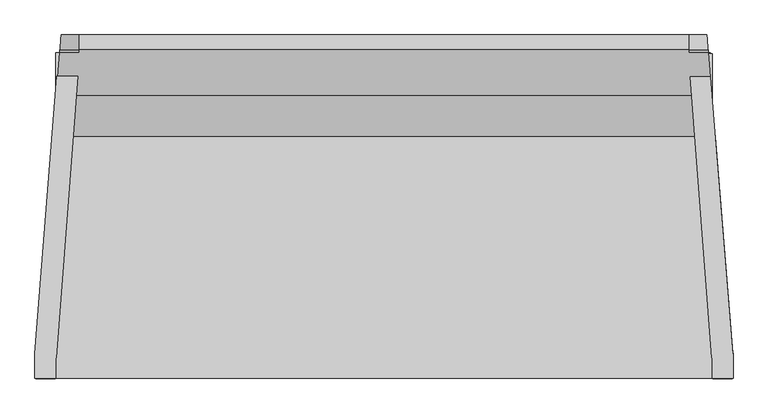
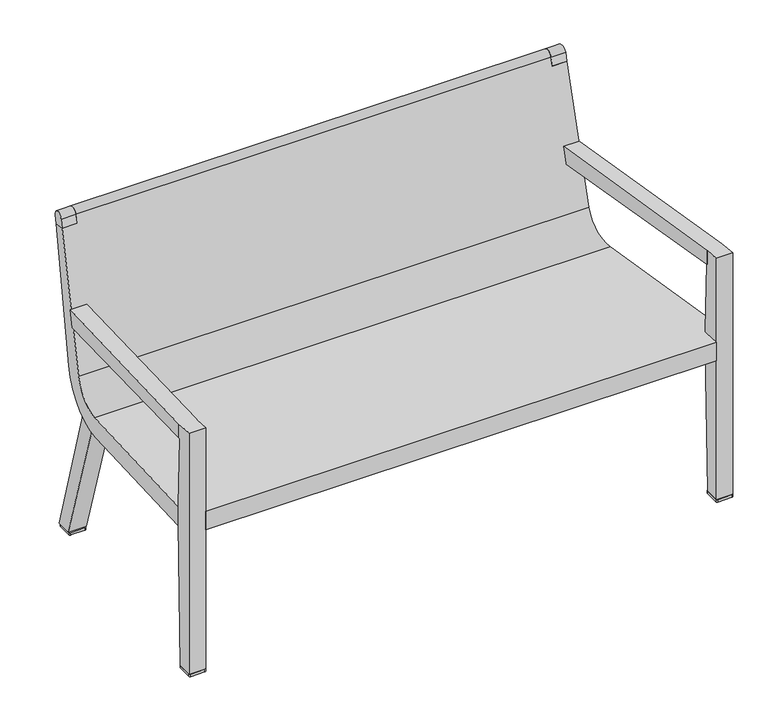
"""IFC4 building model written with IfcOpenShell, lengths in millimetres: furniture geometry."""

from ifc_helpers import new_model, si_unit, point, frame, frame_2d, origin, origin_with_axes, place, context, project, spatial, polyline, circle_curve, ellipse_curve, trimmed, segment, composite_curve, outline, extrude, faceted_brep, source, transform, mapped, element, save
from ifc_brep_helpers import plane_surface, cylinder_surface, revolved_surface, advanced_brep


def furniture_d6142b81(model_context):
    return source(origin(), model_context, "Body", "SolidModel", [
        advanced_brep(
        [(-627.9196195, 299.2050771, 796.6800519), (-625.6202665, 327.49749, 790.5203922), (-625.951192, 323.425614, 768.9825288), (-628.3301742, 294.1534021, 776.2044891), (-591.5334009, 327.49749, 790.5203922), (-591.5334009, 299.2050771, 796.6800519), (-591.5334009, 294.1534021, 776.2044891), (-591.5334009, 323.425614, 768.9825288)],
        [
            (0, 1, ellipse_curve(frame((-626.7768324, 313.2665124, 793.210853), z_axis=(-0.9967137814463713, 0.08100393740353092, 0.0), x_axis=(-0.08100393740352987, -0.9967137814463713, 0.0)), 14.530821, 14.4830695)),
            (1, 2),
            (2, 3),
            (3, 0),
            (4, 5, circle_curve(frame((-591.5334009, 313.2665124, 793.210853), z_axis=(1.0, 0.0, 0.0), x_axis=(0.0, 1.0, 0.0)), 14.4830695)),
            (5, 6),
            (6, 7),
            (7, 4),
            (4, 1),
            (0, 5),
            (3, 6),
            (2, 7),
        ],
        [
            plane_surface(frame((-675.6291399, -287.837208, 938.3631816), z_axis=(-0.9967137814463713, 0.08100393740353092, 0.0), x_axis=(0.0, 0.0, -1.0))),
            plane_surface(frame((-591.5334009, 260.8168471, 437.8184466), z_axis=(1.0000000000000002, 0.0, 0.0), x_axis=(0.0, 0.18576592005724907, 0.9825940275338966))),
            cylinder_surface(frame((-591.5334009, 313.2665124, 793.210853), z_axis=(-1.0, 0.0, 0.0), x_axis=(0.0, 1.0, 0.0)), 14.4830695),
            plane_surface(frame((-635.7109035, 294.1534021, 776.2044891), z_axis=(0.0, -0.9708877825791815, 0.23953478586309737), x_axis=(1.0, 0.0, 0.0))),
            plane_surface(frame((-635.7109035, 323.425614, 768.9825288), z_axis=(0.0, -0.2395347858631037, -0.97088778257918), x_axis=(1.0, 0.0, 0.0))),
            plane_surface(frame((-635.7109035, 327.49749, 790.5203922), z_axis=(0.0, 0.9825940275338966, -0.18576592005724907), x_axis=(1.0, 0.0, 0.0))),
        ],
        [
            (0, [[1, 2, 3, 4]]),
            (1, [[5, 6, 7, 8]]),
            (2, [[-5, 9, -1, 10]]),
            (3, [[-6, -10, -4, 11]]),
            (4, [[-7, -11, -3, 12]]),
            (5, [[-8, -12, -2, -9]]),
        ],
    ),
        advanced_brep(
        [(585.1834009, 327.49749, 790.5203922), (585.1834009, 323.425614, 768.9825288), (585.1834009, 294.1534021, 776.2044891), (585.1834009, 299.2050771, 796.6800519), (621.5696195, 299.2050771, 796.6800519), (619.2702665, 327.49749, 790.5203922), (621.9801742, 294.1534021, 776.2044891), (619.601192, 323.425614, 768.9825288)],
        [
            (0, 1),
            (1, 2),
            (2, 3),
            (3, 0, circle_curve(frame((585.1834009, 313.2665124, 793.210853), z_axis=(-1.0, 0.0, 0.0), x_axis=(0.0, 1.0, 0.0)), 14.4830695)),
            (3, 4),
            (4, 5, ellipse_curve(frame((620.4268324, 313.2665124, 793.210853), z_axis=(-0.9967137814463713, -0.08100393740353068, 0.0), x_axis=(0.08100393740353011, -0.9967137814463713, 0.0)), 14.530821, 14.4830695)),
            (5, 0),
            (2, 6),
            (6, 4),
            (1, 7),
            (7, 6),
            (5, 7),
        ],
        [
            plane_surface(frame((585.1834009, 327.7495819, 793.210853), z_axis=(-1.0, 0.0, 0.0), x_axis=(0.0, 0.0, -1.0))),
            cylinder_surface(frame((585.1834009, 313.2665124, 793.210853), z_axis=(1.0, 0.0, 0.0), x_axis=(0.0, 1.0, 0.0)), 14.4830695),
            plane_surface(frame((629.3609035, 299.2050771, 796.6800519), z_axis=(0.0, -0.9708877825791815, 0.2395347858630974), x_axis=(-1.0, 0.0, 0.0))),
            plane_surface(frame((629.3609035, 294.1534021, 776.2044891), z_axis=(0.0, -0.2395347858631037, -0.97088778257918), x_axis=(-1.0, 0.0, 0.0))),
            plane_surface(frame((629.3609035, 323.425614, 768.9825288), z_axis=(0.0, 0.9825940275338961, -0.18576592005725134), x_axis=(-1.0, 0.0, 0.0))),
            plane_surface(frame((617.5219272, 349.0099486, 938.3631816), z_axis=(0.9967137814463713, 0.08100393740353068, 0.0), x_axis=(0.0, 0.0, -1.0))),
        ],
        [
            (0, [[1, 2, 3, 4]]),
            (1, [[-4, 5, 6, 7]]),
            (2, [[-3, 8, 9, -5]]),
            (3, [[-2, 10, 11, -8]]),
            (4, [[-1, -7, 12, -10]]),
            (5, [[-6, -9, -11, -12]]),
        ],
    ),
        faceted_brep([(-635.7109035, -295.3842593, 598.9293253), (-635.7109035, -295.3842593, 635.0608173), (-635.7109035, -334.2299408, 638.0401216), (-635.7109035, -334.2299408, 6.3500002), (-635.7109035, -296.2419402, 6.3500002), (-635.7109035, -286.317893, 372.9395667), (-635.7109035, -286.317893, 420.5571907), (-635.7109035, -293.3199548, 598.7479856), (-635.0099613, -294.3789018, 634.9837105), (-635.0099613, -294.3789018, 598.8410092), (-594.275153, 238.0299069, 552.0713363), (-593.4956059, 248.2186806, 593.3687032), (-676.275, -287.3688794, 598.2252109), (-676.275, -287.3688794, 634.4460706), (-634.3258396, 248.2186806, 593.3687032), (-635.1238614, 238.0299069, 552.0713363), (-676.275, -293.3199548, 598.7479856), (-676.275, -286.317893, 420.5571907), (-676.275, -286.317893, 372.9395667), (-676.275, -296.2419402, 6.3500002), (-676.275, -334.2299408, 6.3500002), (-676.275, -334.2299408, 638.0401216)], [[[0, 1, 2, 3, 4, 5, 6, 7]], [[8, 9, 10, 11]], [[12, 13, 14, 15]], [[13, 12, 16, 17, 18, 19, 20, 21]], [[14, 11, 10, 15]], [[11, 14, 13, 21, 2, 1, 8]], [[3, 2, 21, 20]], [[15, 10, 9, 0, 7, 16, 12]], [[20, 19, 4, 3]], [[6, 17, 16, 7]], [[18, 17, 6, 5]], [[19, 18, 5, 4]], [[1, 0, 9, 8]]]),
        extrude(outline(composite_curve([segment(trimmed(circle_curve(frame_2d((666.75, -296.4488461)), 3.175), [point((666.75, -293.2738461))], [point((669.925, -296.4488461))], False, "CARTESIAN"), True, "CONTINUOUS"), segment(polyline([(669.925, -296.4488461), (669.925, -332.2678383)]), True, "CONTINUOUS"), segment(trimmed(circle_curve(frame_2d((666.75, -332.2678383)), 3.175), [point((669.925, -332.2678383))], [point((666.75, -335.4428383))], False, "CARTESIAN"), True, "CONTINUOUS"), segment(polyline([(666.75, -335.4428383), (632.1763057, -335.4428383)]), True, "CONTINUOUS"), segment(trimmed(circle_curve(frame_2d((632.1763057, -332.2390938)), 3.2037445), [point((632.1763057, -335.4428383))], [point((628.9725613, -332.2390938))], False, "CARTESIAN"), True, "CONTINUOUS"), segment(polyline([(628.9725613, -332.2390938), (628.9725613, -296.459796)]), True, "CONTINUOUS"), segment(trimmed(circle_curve(frame_2d((632.1585112, -296.459796)), 3.1859499), [point((628.9725613, -296.459796))], [point((632.1585112, -293.2738461))], False, "CARTESIAN"), True, "CONTINUOUS"), segment(polyline([(632.1585112, -293.2738461), (666.75, -293.2738461)]), True, "CONTINUOUS")], self_intersect=False)), origin_with_axes(), (0.0, 0.0, 1.0), 6.3500002),
        advanced_brep(
        [(635.176497, 131.7791135, 383.637387), (-641.526497, 131.7791135, 383.637387), (-675.5056637, -286.317893, 415.4539627), (-635.7109035, -286.317893, 415.4539627), (-635.7109035, -334.2299408, 419.1), (629.3609035, -334.2299408, 419.1), (629.3609035, -286.317893, 415.4539627), (669.1556637, -286.317893, 415.4539627), (629.3609035, -334.2299408, 369.9032018), (-635.7109035, -334.2299408, 369.9032018), (-641.9660535, 126.370586, 334.778393), (635.6160535, 126.370586, 334.778393), (669.1556637, -286.317893, 366.2494901), (629.3609035, -286.317893, 366.2494901), (-635.7109035, -286.317893, 366.2494901), (-675.5056637, -286.317893, 366.2494901), (-631.0394698, 260.8168471, 437.8184466), (624.6894698, 260.8168471, 437.8184466), (-625.951192, 323.425614, 768.9825288), (-591.5334009, 323.425614, 768.9825288), (-591.5334009, 327.49749, 790.5203922), (585.1834009, 327.49749, 790.5203922), (585.1834009, 323.425614, 768.9825288), (619.601192, 323.425614, 768.9825288), (-635.0440252, 211.5427544, 441.3651533), (628.6940252, 211.5427544, 441.3651533), (621.9801742, 294.1534021, 776.2044891), (585.1834009, 294.1534021, 776.2044891), (585.1834009, 299.2050771, 796.6800519), (-591.5334009, 299.2050771, 796.6800519), (-591.5334009, 294.1534021, 776.2044891), (-628.3301742, 294.1534021, 776.2044891)],
        [
            (0, 1),
            (1, 2),
            (2, 3),
            (3, 4),
            (4, 5),
            (5, 6),
            (6, 7),
            (7, 0),
            (8, 5),
            (4, 9),
            (9, 8),
            (10, 11),
            (11, 12),
            (12, 13),
            (13, 8),
            (9, 14),
            (14, 15),
            (15, 10),
            (10, 16, ellipse_curve(frame((-641.181234, 136.0274056, 461.4107184), z_axis=(0.9967137814463713, -0.08100393740353092, 0.0), x_axis=(0.08100393740352987, 0.9967137814463713, 0.0)), 127.4187258, 127.0)),
            (16, 17),
            (17, 11, ellipse_curve(frame((634.831234, 136.0274056, 461.4107184), z_axis=(-0.9967137814463713, -0.08100393740353068, 0.0), x_axis=(0.08100393740353011, -0.9967137814463713, 0.0)), 127.4187258, 127.0)),
            (16, 18),
            (18, 19),
            (19, 20),
            (20, 21),
            (21, 22),
            (22, 23),
            (23, 17),
            (24, 25),
            (25, 26),
            (26, 27),
            (27, 28),
            (28, 29),
            (29, 30),
            (30, 31),
            (31, 24),
            (24, 1, ellipse_curve(frame((-641.0565886, 137.5611053, 459.617704), z_axis=(-0.9967137814463713, 0.08100393740353092, 0.0), x_axis=(-0.08100393740352987, -0.9967137814463713, 0.0)), 76.4512355, 76.2)),
            (0, 25, ellipse_curve(frame((634.7065886, 137.5611053, 459.617704), z_axis=(0.9967137814463713, 0.08100393740353068, 0.0), x_axis=(-0.08100393740353011, 0.9967137814463713, 0.0)), 76.4512355, 76.2)),
            (28, 21, circle_curve(frame((585.1834009, 313.2665124, 793.210853), z_axis=(-1.0, 0.0, 0.0), x_axis=(0.0, 1.0, 0.0)), 14.4830695)),
            (20, 29, circle_curve(frame((-591.5334009, 313.2665124, 793.210853), z_axis=(1.0, 0.0, 0.0), x_axis=(0.0, 1.0, 0.0)), 14.4830695)),
            (15, 2),
            (31, 18),
            (23, 26),
            (7, 12),
            (13, 6),
            (3, 14),
            (27, 22),
            (19, 30),
        ],
        [
            plane_surface(frame((669.925, 131.7791135, 383.637387), z_axis=(0.0, 0.07587915870272294, 0.9971170208529022), x_axis=(-1.0, 0.0, 0.0))),
            plane_surface(frame((669.925, -334.2299408, 419.1), z_axis=(0.0, -1.0, 0.0), x_axis=(-1.0, 0.0, 0.0))),
            plane_surface(frame((669.925, -334.2299408, 369.9032018), z_axis=(0.0, -0.07603794995339933, -0.9971049243519382), x_axis=(-1.0, 0.0, 0.0))),
            cylinder_surface(frame((-676.275, 136.0274056, 461.4107184), z_axis=(1.0, 0.0, 0.0), x_axis=(0.0, 1.0, 0.0)), 127.0),
            plane_surface(frame((669.925, 260.8168471, 437.8184466), z_axis=(0.0, 0.9825940275338964, -0.18576592005725007), x_axis=(-1.0, 0.0, 0.0))),
            plane_surface(frame((669.925, 299.2050771, 796.6800519), z_axis=(0.0, -0.9708877825791812, 0.23953478586309918), x_axis=(-1.0, 0.0, 0.0))),
            revolved_surface(polyline([(-647.2494396948646, 213.7611053, 459.617704), (640.8994396948648, 213.7611053, 459.617704)]), (-676.275, 137.5611053, 459.617704), (-1.0, 0.0, 0.0)),
            cylinder_surface(frame((-676.275, 313.2665124, 793.210853), z_axis=(1.0, 0.0, 0.0), x_axis=(0.0, 1.0, 0.0)), 14.4830695),
            plane_surface(frame((-675.6291399, -287.837208, 938.3631816), z_axis=(-0.9967137814463713, 0.08100393740353092, 0.0), x_axis=(0.0, 0.0, -1.0))),
            plane_surface(frame((617.5219272, 349.0099486, 938.3631816), z_axis=(0.9967137814463713, 0.08100393740353068, 0.0), x_axis=(0.0, 0.0, -1.0))),
            plane_surface(frame((629.3609035, -286.317893, 423.6543739), z_axis=(1.0, 0.0, 0.0), x_axis=(0.0, 0.0, -1.0))),
            plane_surface(frame((669.925, -286.317893, 423.6543739), z_axis=(0.0, -1.0, 0.0), x_axis=(0.0, 0.0, -1.0))),
            plane_surface(frame((-635.7109035, -334.2299408, 423.6543739), z_axis=(-1.0, 0.0, 0.0), x_axis=(0.0, 0.0, -1.0))),
            plane_surface(frame((-635.7109035, -286.317893, 423.6543739), z_axis=(0.0, -1.0, 0.0), x_axis=(0.0, 0.0, -1.0))),
            plane_surface(frame((585.1834009, 294.1534021, 776.2044891), z_axis=(1.0, 0.0, 0.0), x_axis=(0.0, -0.9708877825791811, 0.23953478586309945))),
            plane_surface(frame((1034.3742133, 294.1534021, 776.2044891), z_axis=(0.0, 0.23953478586309945, 0.9708877825791811), x_axis=(-1.0, 0.0, 0.0))),
            plane_surface(frame((-591.5334009, 299.2050771, 796.6800519), z_axis=(-1.0, 0.0, 0.0), x_axis=(0.0, -0.23953478586311233, -0.9708877825791778))),
            plane_surface(frame((-1044.1198156, 323.425614, 768.9825288), z_axis=(0.0, 0.23953478586309945, 0.9708877825791811), x_axis=(1.0, 0.0, 0.0))),
        ],
        [
            (0, [[1, 2, 3, 4, 5, 6, 7, 8]]),
            (1, [[9, -5, 10, 11]]),
            (2, [[12, 13, 14, 15, -11, 16, 17, 18]]),
            (3, [[19, 20, 21, -12]]),
            (4, [[-20, 22, 23, 24, 25, 26, 27, 28]]),
            (5, [[29, 30, 31, 32, 33, 34, 35, 36]]),
            (6, [[37, -1, 38, -29]]),
            (7, [[39, -25, 40, -33]]),
            (8, [[-19, -18, 41, -2, -37, -36, 42, -22]]),
            (9, [[-21, -28, 43, -30, -38, -8, 44, -13]]),
            (10, [[45, -6, -9, -15]]),
            (11, [[-45, -14, -44, -7]]),
            (12, [[46, -16, -10, -4]]),
            (13, [[-46, -3, -41, -17]]),
            (14, [[47, -26, -39, -32]]),
            (15, [[-47, -31, -43, -27]]),
            (16, [[48, -34, -40, -24]]),
            (17, [[-48, -23, -42, -35]]),
        ],
    ),
        faceted_brep([(629.3609035, -297.0317484, 635.187173), (629.3609035, -297.0317484, 599.0740497), (629.3609035, -293.3199548, 598.7479856), (629.3609035, -286.317893, 420.5571907), (629.3609035, -286.317893, 372.9395667), (629.3609035, -296.2419402, 6.3500002), (629.3609035, -334.2299408, 6.3500002), (629.3609035, -334.2299408, 638.0401216), (628.6599613, -294.3789018, 598.8410092), (628.6599613, -294.3789018, 634.9837105), (587.2019269, 247.4825592, 593.4251607), (587.9813223, 237.2957674, 552.1358271), (669.925, -296.2419402, 6.3500002), (669.925, -334.2299408, 6.3500002), (669.925, -286.317893, 420.5571907), (669.925, -293.3199548, 598.7479856), (669.925, -286.317893, 372.9395667), (669.925, -287.837208, 598.2663514), (669.925, -287.837208, 634.4819895), (669.925, -334.2299408, 638.0401216), (625.7731609, 247.4825592, 593.4251607), (626.6010517, 237.2957674, 552.1358271), (669.2791399, -287.837208, 634.4819895), (669.2791399, -287.837208, 598.2663514)], [[[0, 1, 2, 3, 4, 5, 6, 7]], [[8, 9, 10, 11]], [[12, 13, 6, 5]], [[14, 3, 2, 15]], [[14, 16, 4, 3]], [[16, 12, 5, 4]], [[17, 18, 19, 13, 12, 16, 14, 15]], [[11, 10, 20, 21]], [[0, 7, 19, 18, 22, 20, 10, 9]], [[13, 19, 7, 6]], [[8, 11, 21, 23, 17, 15, 2, 1]], [[23, 22, 18, 17]], [[22, 23, 21, 20]], [[9, 8, 1, 0]]]),
        advanced_brep(
        [(629.3609035, 147.201089, 345.7925462), (629.3609035, 253.0516735, 6.3500002), (629.3609035, 291.7247127, 6.3500002), (629.3609035, 188.0140333, 357.1523048), (585.1834009, 147.201089, 345.7925462), (585.1834009, 188.0140333, 357.1523048), (585.1834009, 291.7247127, 6.3500002), (585.1834009, 253.0516735, 6.3500002)],
        [
            (0, 1),
            (1, 2),
            (2, 3),
            (3, 0, circle_curve(frame((629.3609035, 139.4098677, 452.7801148), z_axis=(-1.0, 0.0, 0.0), x_axis=(0.0, 1.0, 0.0)), 107.2708859)),
            (4, 5, circle_curve(frame((585.1834009, 139.4098677, 452.7801148), z_axis=(1.0, 0.0, 0.0), x_axis=(0.0, 1.0, 0.0)), 107.2708859)),
            (5, 6),
            (6, 7),
            (7, 4),
            (0, 4),
            (7, 1),
            (6, 2),
            (5, 3),
        ],
        [
            plane_surface(frame((629.3609035, 253.0516735, 6.3500002), z_axis=(1.0000000000000002, 0.0, 0.0), x_axis=(0.0, 0.29769789865664986, -0.9546601285983485))),
            plane_surface(frame((585.1834009, 253.0516735, 6.3500002), z_axis=(-1.0000000000000002, 0.0, 0.0), x_axis=(0.0, -0.29769789865664986, 0.9546601285983485))),
            plane_surface(frame((629.3609035, 147.201089, 345.7925462), z_axis=(0.0, -0.9546601285983485, -0.29769789865664986), x_axis=(-1.0, 0.0, 0.0))),
            plane_surface(frame((629.3609035, 253.0516735, 6.3500002), z_axis=(0.0, 0.0, -1.0), x_axis=(-1.0, 0.0, 0.0))),
            plane_surface(frame((629.3609035, 291.7247127, 6.3500002), z_axis=(0.0, 0.9589697495355606, 0.2835084116489392), x_axis=(-1.0, 0.0, 0.0))),
            revolved_surface(polyline([(585.1834009, 246.6807536, 452.7801148), (629.3609035, 246.6807536, 452.7801148)]), (585.1834009, 139.4098677, 452.7801148), (-1.0, 0.0, 0.0)),
        ],
        [
            (0, [[1, 2, 3, 4]]),
            (1, [[5, 6, 7, 8]]),
            (2, [[-1, 9, -8, 10]]),
            (3, [[-2, -10, -7, 11]]),
            (4, [[-3, -11, -6, 12]]),
            (5, [[-4, -12, -5, -9]]),
        ],
    ),
        advanced_brep(
        [(-635.7109035, 149.3413362, 345.7925462), (-635.7109035, 190.0431079, 357.1523048), (-635.7109035, 293.7537872, 6.3500002), (-635.7109035, 255.1919207, 6.3500002), (-591.5334009, 149.3413362, 345.7925462), (-591.5334009, 255.1919207, 6.3500002), (-591.5334009, 293.7537872, 6.3500002), (-591.5334009, 190.0431079, 357.1523048)],
        [
            (0, 1, circle_curve(frame((-635.7109035, 141.4175094, 452.7801148), z_axis=(1.0, 0.0, 0.0), x_axis=(0.0, 1.0, 0.0)), 107.2805987)),
            (1, 2),
            (2, 3),
            (3, 0),
            (4, 5),
            (5, 6),
            (6, 7),
            (7, 4, circle_curve(frame((-591.5334009, 141.4175094, 452.7801148), z_axis=(-1.0, 0.0, 0.0), x_axis=(0.0, 1.0, 0.0)), 107.2805987)),
            (3, 5),
            (4, 0),
            (2, 6),
            (1, 7),
        ],
        [
            plane_surface(frame((-635.7109035, 248.6981081, 452.7801148), z_axis=(-1.0, 0.0, 0.0), x_axis=(0.0, 0.0, 1.0))),
            plane_surface(frame((-591.5334009, 248.6981081, 452.7801148), z_axis=(1.0, 0.0, 0.0), x_axis=(0.0, 0.0, -1.0))),
            plane_surface(frame((-635.7109035, 255.1919207, 6.3500002), z_axis=(0.0, -0.9546601285983485, -0.2976978986566497), x_axis=(1.0, 0.0, 0.0))),
            plane_surface(frame((-635.7109035, 293.7537872, 6.3500002), z_axis=(0.0, 0.0, -1.0), x_axis=(1.0, 0.0, 0.0))),
            plane_surface(frame((-635.7109035, 190.0431079, 357.1523048), z_axis=(0.0, 0.9589697495355606, 0.2835084116489392), x_axis=(1.0, 0.0, 0.0))),
            revolved_surface(polyline([(-591.5334009, 248.6981081, 452.7801148), (-635.7109035, 248.6981081, 452.7801148)]), (-591.5334009, 141.4175094, 452.7801148), (1.0, 0.0, 0.0)),
        ],
        [
            (0, [[1, 2, 3, 4]]),
            (1, [[5, 6, 7, 8]]),
            (2, [[-4, 9, -5, 10]]),
            (3, [[-3, 11, -6, -9]]),
            (4, [[-2, 12, -7, -11]]),
            (5, [[-1, -10, -8, -12]]),
        ],
    ),
        extrude(outline(composite_curve([segment(trimmed(circle_curve(frame_2d((-631.2494606, 254.7322247)), 3.175), [point((-631.2494606, 251.5572247))], [point((-634.4244606, 254.7322247))], False, "CARTESIAN"), True, "CONTINUOUS"), segment(polyline([(-634.4244606, 254.7322247), (-634.4244606, 290.5512169)]), True, "CONTINUOUS"), segment(trimmed(circle_curve(frame_2d((-631.2494606, 290.5512169)), 3.175), [point((-634.4244606, 290.5512169))], [point((-631.2494606, 293.7262169))], False, "CARTESIAN"), True, "CONTINUOUS"), segment(polyline([(-631.2494606, 293.7262169), (-596.6757663, 293.7262169)]), True, "CONTINUOUS"), segment(trimmed(circle_curve(frame_2d((-596.6757663, 290.5224724)), 3.2037445), [point((-596.6757663, 293.7262169))], [point((-593.4720219, 290.5224724))], False, "CARTESIAN"), True, "CONTINUOUS"), segment(polyline([(-593.4720219, 290.5224724), (-593.4720219, 254.7431746)]), True, "CONTINUOUS"), segment(trimmed(circle_curve(frame_2d((-596.6579718, 254.7431746)), 3.1859499), [point((-593.4720219, 254.7431746))], [point((-596.6579718, 251.5572247))], False, "CARTESIAN"), True, "CONTINUOUS"), segment(polyline([(-596.6579718, 251.5572247), (-631.2494606, 251.5572247)]), True, "CONTINUOUS")], self_intersect=False)), origin_with_axes(), (0.0, 0.0, 1.0), 6.3500002),
        extrude(outline(composite_curve([segment(polyline([(624.3586887, 251.5575592), (589.7671999, 251.5575592)]), True, "CONTINUOUS"), segment(trimmed(circle_curve(frame_2d((589.7671999, 254.7435091)), 3.1859499), [point((589.7671999, 251.5575592))], [point((586.58125, 254.7435091))], False, "CARTESIAN"), True, "CONTINUOUS"), segment(polyline([(586.58125, 254.7435091), (586.58125, 290.522807)]), True, "CONTINUOUS"), segment(trimmed(circle_curve(frame_2d((589.7849945, 290.522807)), 3.2037445), [point((586.58125, 290.522807))], [point((589.7849945, 293.7265514))], False, "CARTESIAN"), True, "CONTINUOUS"), segment(polyline([(589.7849945, 293.7265514), (624.3586887, 293.7265514)]), True, "CONTINUOUS"), segment(trimmed(circle_curve(frame_2d((624.3586887, 290.5515514)), 3.175), [point((624.3586887, 293.7265514))], [point((627.5336887, 290.5515514))], False, "CARTESIAN"), True, "CONTINUOUS"), segment(polyline([(627.5336887, 290.5515514), (627.5336887, 254.7325592)]), True, "CONTINUOUS"), segment(trimmed(circle_curve(frame_2d((624.3586887, 254.7325592)), 3.175), [point((627.5336887, 254.7325592))], [point((624.3586887, 251.5575592))], False, "CARTESIAN"), True, "CONTINUOUS")], self_intersect=False)), origin_with_axes(), (0.0, 0.0, 1.0), 6.3500002),
        extrude(outline(composite_curve([segment(polyline([(-673.1, -293.2738461), (-638.5085112, -293.2738461)]), True, "CONTINUOUS"), segment(trimmed(circle_curve(frame_2d((-638.5085112, -296.459796)), 3.1859499), [point((-638.5085112, -293.2738461))], [point((-635.3225613, -296.459796))], False, "CARTESIAN"), True, "CONTINUOUS"), segment(polyline([(-635.3225613, -296.459796), (-635.3225613, -332.2390938)]), True, "CONTINUOUS"), segment(trimmed(circle_curve(frame_2d((-638.5263057, -332.2390938)), 3.2037445), [point((-635.3225613, -332.2390938))], [point((-638.5263057, -335.4428383))], False, "CARTESIAN"), True, "CONTINUOUS"), segment(polyline([(-638.5263057, -335.4428383), (-673.1, -335.4428383)]), True, "CONTINUOUS"), segment(trimmed(circle_curve(frame_2d((-673.1, -332.2678383)), 3.175), [point((-673.1, -335.4428383))], [point((-676.275, -332.2678383))], False, "CARTESIAN"), True, "CONTINUOUS"), segment(polyline([(-676.275, -332.2678383), (-676.275, -296.4488461)]), True, "CONTINUOUS"), segment(trimmed(circle_curve(frame_2d((-673.1, -296.4488461)), 3.175), [point((-676.275, -296.4488461))], [point((-673.1, -293.2738461))], False, "CARTESIAN"), True, "CONTINUOUS")], self_intersect=False)), origin_with_axes(), (0.0, 0.0, 1.0), 6.3500002),
    ])


if __name__ == "__main__":
    model = new_model("IFC4")
    model_context = context("Model", 3, world=origin())
    ifc_project = project(units=[si_unit("LENGTHUNIT", "METRE", prefix="MILLI")], contexts=[model_context])
    site = spatial("IfcSite", under=ifc_project)
    building = spatial("IfcBuilding", under=site)
    placement = place(None, origin())
    furniture_shape = furniture_d6142b81(model_context)
    element("IfcFurniture", 1, at=placement, inside=building, context=model_context, shape_type="MappedRepresentation", body=[
        mapped(furniture_shape, transform((0.0, 0.0, 0.0), x_axis=(1.0, 0.0, 0.0), y_axis=(0.0, 1.0, 0.0), z_axis=(0.0, 0.0, 1.0))),
    ])
    save(model, "model.ifc")
